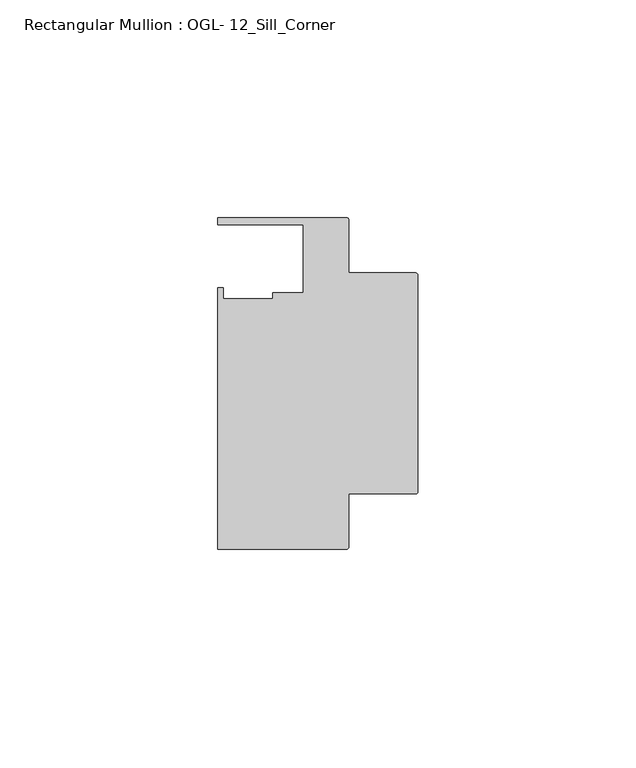
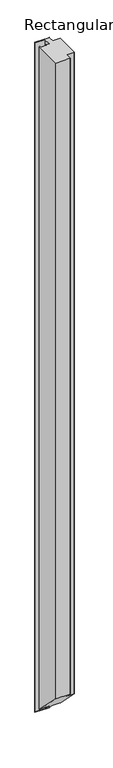
"""IFC4 building model written with IfcOpenShell, lengths in millimetres: member geometry, Rectangular Mullion : OGL- 12_Sill_Corner."""

from ifc_helpers import new_model, si_unit, frame, origin, place, context, project, spatial, circle_curve, ellipse_curve, source, transform, mapped, element, save
from ifc_brep_helpers import plane_surface, cylinder_surface, advanced_brep


def rectangular_mullion_ogl_12_sill_corner_8a8e2a3c(model_context):
    return source(origin(), model_context, "Body", "AdvancedBrep", [
        advanced_brep(
        [(-0.5953125, -55.5625, 0.0), (0.0, -54.9671875, 0.0), (0.0, -5.3578125, 0.0), (-0.5953125, -4.7625, 0.0), (-15.8750672, -4.7625, 0.0), (-15.8750672, 7.3422035, 0.0), (-16.4703797, 7.937516, 0.0), (-46.0248655, 7.937516, 0.0), (-46.0248655, 6.350016, 0.0), (-26.3720794, 6.350016, 0.0), (-26.3720794, -9.3367652, 0.0), (-33.3985545, -9.3367652, 0.0), (-33.3985545, -10.6800725, 0.0), (-44.7780305, -10.6800725, 0.0), (-44.7780305, -8.1914024, 0.0), (-46.0339598, -8.1914024, 0.0), (-46.0339598, -68.2621792, 0.0), (-16.4703797, -68.2621792, 0.0), (-15.8750672, -67.6668667, 0.0), (-15.8750672, -55.5625, 0.0), (-0.5953125, -55.5625, -1422.4035402), (0.0, -54.9671875, -1422.9988527), (0.0, -5.3578125, -1472.6082276), (-0.5953125, -4.7625, -1473.2035401), (-15.8750672, -4.7625, -1473.2035401), (-15.8750672, 7.3422035, -1485.3082437), (-16.4703797, 7.937516, -1485.9035562), (-46.0248655, 7.937516, -1485.9035562), (-46.0248655, 6.350016, -1484.3160562), (-26.3720794, 6.350016, -1484.3160562), (-26.3720794, -9.3367652, -1468.629275), (-33.3985545, -9.3367652, -1468.629275), (-33.3985545, -10.6800725, -1467.2859676), (-44.7780305, -10.6800725, -1467.2859676), (-44.7780305, -8.1914024, -1469.7746378), (-46.0339598, -8.1914024, -1469.7746378), (-46.0339598, -68.2621792, -1409.703861), (-16.4703797, -68.2621792, -1409.703861), (-15.8750672, -67.6668667, -1410.2991735), (-15.8750672, -55.5625, -1422.4035402)],
        [
            (0, 1, circle_curve(frame((-0.5953125, -54.9671875, 0.0), z_axis=(0.0, 0.0, 1.0), x_axis=(0.0, -1.0, 0.0)), 0.5953125)),
            (1, 2),
            (2, 3, circle_curve(frame((-0.5953125, -5.3578125, 0.0), z_axis=(0.0, 0.0, 1.0), x_axis=(-1.0, 0.0, 0.0)), 0.5953125)),
            (3, 4),
            (4, 5),
            (5, 6, circle_curve(frame((-16.4703797, 7.3422035, 0.0), z_axis=(0.0, 0.0, 1.0), x_axis=(-1.0, 0.0, 0.0)), 0.5953125)),
            (6, 7),
            (7, 8),
            (8, 9),
            (9, 10),
            (10, 11),
            (11, 12),
            (12, 13),
            (13, 14),
            (14, 15),
            (15, 16),
            (16, 17),
            (17, 18, circle_curve(frame((-16.4703797, -67.6668667, 0.0), z_axis=(0.0, 0.0, 1.0), x_axis=(-1.0, 0.0, 0.0)), 0.5953125)),
            (18, 19),
            (19, 0),
            (0, 20),
            (20, 21, ellipse_curve(frame((-0.5953125, -54.9671875, -1422.9988527), z_axis=(0.0, 0.7071067811865464, 0.7071067811865488), x_axis=(0.0, -0.7071067811865488, 0.7071067811865461)), 0.841899, 0.5953125)),
            (21, 1),
            (21, 22),
            (22, 2),
            (22, 23, ellipse_curve(frame((-0.5953125, -5.3578125, -1472.6082276), z_axis=(0.0, 0.7071067811865464, 0.7071067811865488), x_axis=(0.0, -0.7071067811865488, 0.7071067811865461)), 0.841899, 0.5953125)),
            (23, 3),
            (23, 24),
            (24, 4),
            (24, 25),
            (25, 5),
            (25, 26, ellipse_curve(frame((-16.4703797, 7.3422035, -1485.3082437), z_axis=(0.0, 0.7071067811865464, 0.7071067811865488), x_axis=(0.0, -0.7071067811865488, 0.7071067811865461)), 0.841899, 0.5953125)),
            (26, 6),
            (26, 27),
            (27, 7),
            (27, 28),
            (28, 8),
            (28, 29),
            (29, 9),
            (29, 30),
            (30, 10),
            (30, 31),
            (31, 11),
            (31, 32),
            (32, 12),
            (32, 33),
            (33, 13),
            (33, 34),
            (34, 14),
            (34, 35),
            (35, 15),
            (35, 36),
            (36, 16),
            (36, 37),
            (37, 17),
            (37, 38, ellipse_curve(frame((-16.4703797, -67.6668667, -1410.2991735), z_axis=(0.0, 0.7071067811865464, 0.7071067811865488), x_axis=(0.0, -0.7071067811865488, 0.7071067811865461)), 0.841899, 0.5953125)),
            (38, 18),
            (38, 39),
            (39, 19),
            (39, 20),
        ],
        [
            plane_surface(frame((0.0, -82.3337754, 0.0), z_axis=(0.0, 0.0, 1.0), x_axis=(-1.0, 0.0, 0.0))),
            cylinder_surface(frame((-0.5953125, -54.9671875, 0.0), z_axis=(0.0, 0.0, 1.0), x_axis=(0.0, -1.0, 0.0)), 0.5953125),
            plane_surface(frame((0.0, -54.9671875, 0.0), z_axis=(1.0, 0.0, 0.0), x_axis=(0.0, 0.0, -1.0))),
            cylinder_surface(frame((-0.5953125, -5.3578125, 0.0), z_axis=(0.0, 0.0, 1.0), x_axis=(-1.0, 0.0, 0.0)), 0.5953125),
            plane_surface(frame((-0.5953125, -4.7625, 0.0), z_axis=(0.0, 1.0, 0.0), x_axis=(0.0, 0.0, -1.0))),
            plane_surface(frame((-15.8750672, -4.7625, 0.0), z_axis=(1.0, 0.0, 0.0), x_axis=(0.0, 0.0, -1.0))),
            cylinder_surface(frame((-16.4703797, 7.3422035, 0.0), z_axis=(0.0, 0.0, 1.0), x_axis=(-1.0, 0.0, 0.0)), 0.5953125),
            plane_surface(frame((-16.4703797, 7.937516, 0.0), z_axis=(0.0, 1.0, 0.0), x_axis=(0.0, 0.0, -1.0))),
            plane_surface(frame((-46.0248655, 7.937516, 0.0), z_axis=(-1.0, 0.0, 0.0), x_axis=(0.0, 0.0, -1.0))),
            plane_surface(frame((-46.0248655, 6.350016, 0.0), z_axis=(0.0, -1.0, 0.0), x_axis=(0.0, 0.0, -1.0))),
            plane_surface(frame((-26.3720794, 6.350016, 0.0), z_axis=(-1.0, 0.0, 0.0), x_axis=(0.0, 0.0, -1.0))),
            plane_surface(frame((-26.3720794, -9.3367652, 0.0), z_axis=(0.0, 1.0, 0.0), x_axis=(0.0, 0.0, -1.0))),
            plane_surface(frame((-33.3985545, -9.3367652, 0.0), z_axis=(-1.0, 0.0, 0.0), x_axis=(0.0, 0.0, -1.0))),
            plane_surface(frame((-33.3985545, -10.6800725, 0.0), z_axis=(0.0, 1.0, 0.0), x_axis=(0.0, 0.0, -1.0))),
            plane_surface(frame((-44.7780305, -10.6800725, 0.0), z_axis=(1.0, 0.0, 0.0), x_axis=(0.0, 0.0, -1.0))),
            plane_surface(frame((-44.7780305, -8.1914024, 0.0), z_axis=(0.0, 1.0, 0.0), x_axis=(0.0, 0.0, -1.0))),
            plane_surface(frame((-46.0339598, -8.1914024, 0.0), z_axis=(-1.0, 0.0, 0.0), x_axis=(0.0, 0.0, -1.0))),
            plane_surface(frame((-46.0339598, -68.2621792, 0.0), z_axis=(0.0, -1.0, 0.0), x_axis=(0.0, 0.0, -1.0))),
            cylinder_surface(frame((-16.4703797, -67.6668667, 0.0), z_axis=(0.0, 0.0, 1.0), x_axis=(-1.0, 0.0, 0.0)), 0.5953125),
            plane_surface(frame((-15.8750672, -67.6668667, 0.0), z_axis=(1.0, 0.0, 0.0), x_axis=(0.0, 0.0, -1.0))),
            plane_surface(frame((-15.8750672, -55.5625, 0.0), z_axis=(0.0, -1.0, 0.0), x_axis=(0.0, 0.0, -1.0))),
            plane_surface(frame((304.8, 0.0, -1477.9660402), z_axis=(0.0, -0.7071067811865464, -0.7071067811865488), x_axis=(0.0, -0.7071067811865488, 0.7071067811865464))),
        ],
        [
            (0, [[1, 2, 3, 4, 5, 6, 7, 8, 9, 10, 11, 12, 13, 14, 15, 16, 17, 18, 19, 20]]),
            (1, [[-1, 21, 22, 23]]),
            (2, [[-2, -23, 24, 25]]),
            (3, [[-3, -25, 26, 27]]),
            (4, [[-4, -27, 28, 29]]),
            (5, [[-5, -29, 30, 31]]),
            (6, [[-6, -31, 32, 33]]),
            (7, [[-7, -33, 34, 35]]),
            (8, [[-8, -35, 36, 37]]),
            (9, [[-9, -37, 38, 39]]),
            (10, [[-10, -39, 40, 41]]),
            (11, [[-11, -41, 42, 43]]),
            (12, [[-12, -43, 44, 45]]),
            (13, [[-13, -45, 46, 47]]),
            (14, [[-14, -47, 48, 49]]),
            (15, [[-15, -49, 50, 51]]),
            (16, [[-16, -51, 52, 53]]),
            (17, [[-17, -53, 54, 55]]),
            (18, [[-18, -55, 56, 57]]),
            (19, [[-19, -57, 58, 59]]),
            (20, [[-20, -59, 60, -21]]),
            (21, [[-60, -58, -56, -54, -52, -50, -48, -46, -44, -42, -40, -38, -36, -34, -32, -30, -28, -26, -24, -22]]),
        ],
    ),
    ])


if __name__ == "__main__":
    model = new_model("IFC4")
    model_context = context("Model", 3, world=origin())
    ifc_project = project(units=[si_unit("LENGTHUNIT", "METRE", prefix="MILLI")], contexts=[model_context])
    site = spatial("IfcSite", under=ifc_project)
    building = spatial("IfcBuilding", under=site)
    placement = place(None, origin())
    rectangular_mullion_ogl_12_sill_corner_shape = rectangular_mullion_ogl_12_sill_corner_8a8e2a3c(model_context)
    element("IfcMember", 1, ObjectType="Rectangular Mullion : OGL- 12_Sill_Corner", at=placement, inside=building, context=model_context, shape_type="MappedRepresentation", body=[
        mapped(rectangular_mullion_ogl_12_sill_corner_shape, transform((0.0, 0.0, 0.0), x_axis=(1.0, 0.0, 0.0), y_axis=(0.0, 1.0, 0.0), z_axis=(0.0, 0.0, 1.0))),
    ])
    save(model, "model.ifc")
